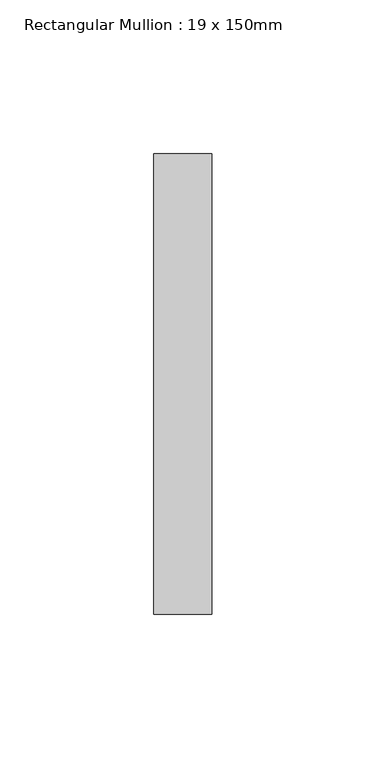
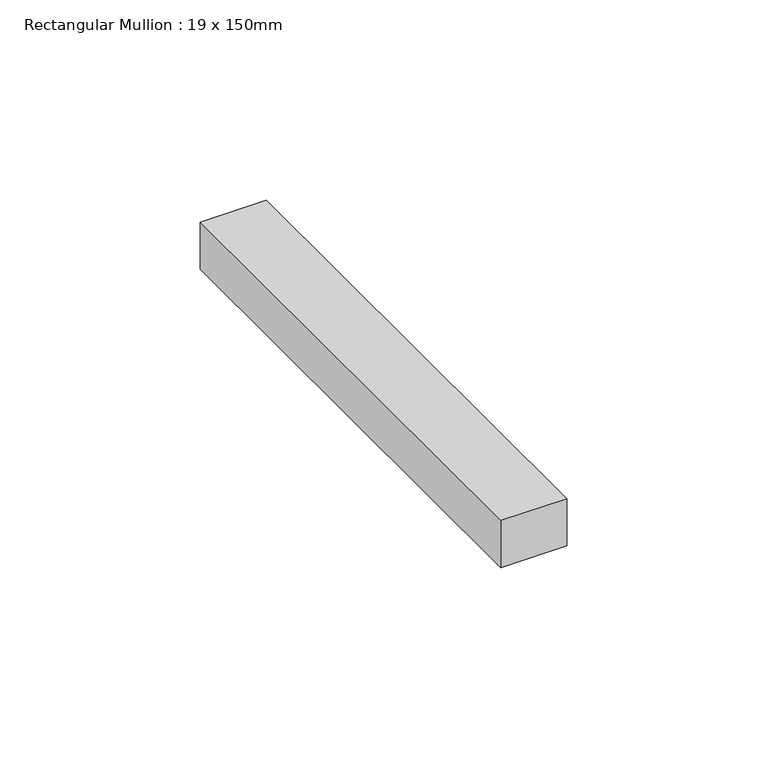
"""IFC4 building model written with IfcOpenShell, lengths in millimetres: member geometry, Rectangular Mullion : 19 x 150mm."""

from ifc_helpers import new_model, si_unit, frame, origin, place, context, project, spatial, polyline, outline, extrude, source, transform, mapped, element, save


def rectangular_mullion_19_x_150mm_4ec4612e(model_context):
    return source(origin(), model_context, "Body", "SweptSolid", [
        extrude(outline(polyline([(9.5, -25.0), (9.5, -175.0), (-9.5, -175.0), (-9.5, -25.0), (9.5, -25.0)])), frame((0.0, 0.0, -14.4007647), z_axis=(0.0, 0.0, 1.0), x_axis=(1.0, 0.0, 0.0)), (0.0, 0.0, 1.0), 14.4007647),
    ])


if __name__ == "__main__":
    model = new_model("IFC4")
    model_context = context("Model", 3, world=origin())
    ifc_project = project(units=[si_unit("LENGTHUNIT", "METRE", prefix="MILLI")], contexts=[model_context])
    site = spatial("IfcSite", under=ifc_project)
    building = spatial("IfcBuilding", under=site)
    placement = place(None, origin())
    rectangular_mullion_19_x_150mm_shape = rectangular_mullion_19_x_150mm_4ec4612e(model_context)
    element("IfcMember", 1, ObjectType="Rectangular Mullion : 19 x 150mm", at=placement, inside=building, context=model_context, shape_type="MappedRepresentation", body=[
        mapped(rectangular_mullion_19_x_150mm_shape, transform((0.0, 0.0, 0.0), x_axis=(1.0, 0.0, 0.0), y_axis=(0.0, 1.0, 0.0), z_axis=(0.0, 0.0, 1.0))),
    ])
    save(model, "model.ifc")
